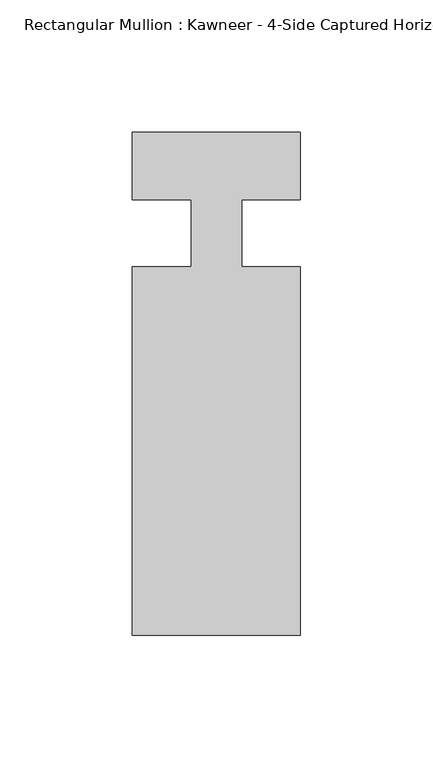
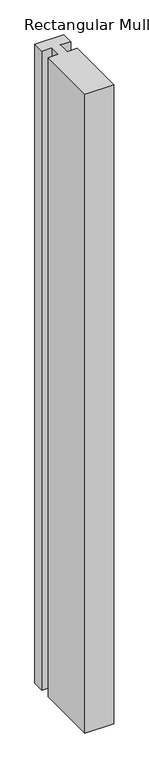
"""IFC4 building model written with IfcOpenShell, lengths in millimetres: member geometry."""

from ifc_helpers import new_model, si_unit, frame, origin, place, context, project, spatial, polyline, outline, extrude, source, transform, mapped, element, save


def member_23198959(model_context):
    return source(origin(), model_context, "Body", "SweptSolid", [
        extrude(outline(polyline([(-9.525, 12.7), (-31.75, 12.7), (-31.75, 38.1), (31.75, 38.1), (31.75, 12.7), (9.5251132, 12.7), (9.5251132, -12.7), (31.75, -12.7), (31.75, -151.892), (-31.75, -151.892), (-31.75, -12.7), (-9.525, -12.7), (-9.525, 12.7)])), frame((0.0, 0.0, -1481.5954004), z_axis=(0.0, 0.0, 1.0), x_axis=(1.0, 0.0, 0.0)), (0.0, 0.0, 1.0), 1481.5954004),
    ])


if __name__ == "__main__":
    model = new_model("IFC4")
    model_context = context("Model", 3, world=origin())
    ifc_project = project(units=[si_unit("LENGTHUNIT", "METRE", prefix="MILLI")], contexts=[model_context])
    site = spatial("IfcSite", under=ifc_project)
    building = spatial("IfcBuilding", under=site)
    placement = place(None, origin())
    member_shape = member_23198959(model_context)
    element("IfcMember", 1, ObjectType="Rectangular Mullion : Kawneer - 4-Side Captured Horizontal Mullion - 7 1/2\"", at=placement, inside=building, context=model_context, shape_type="MappedRepresentation", body=[
        mapped(member_shape, transform((0.0, 0.0, 0.0), x_axis=(1.0, 0.0, 0.0), y_axis=(0.0, 1.0, 0.0), z_axis=(0.0, 0.0, 1.0))),
    ])
    save(model, "model.ifc")
